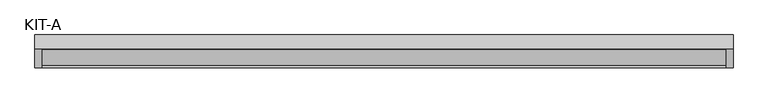
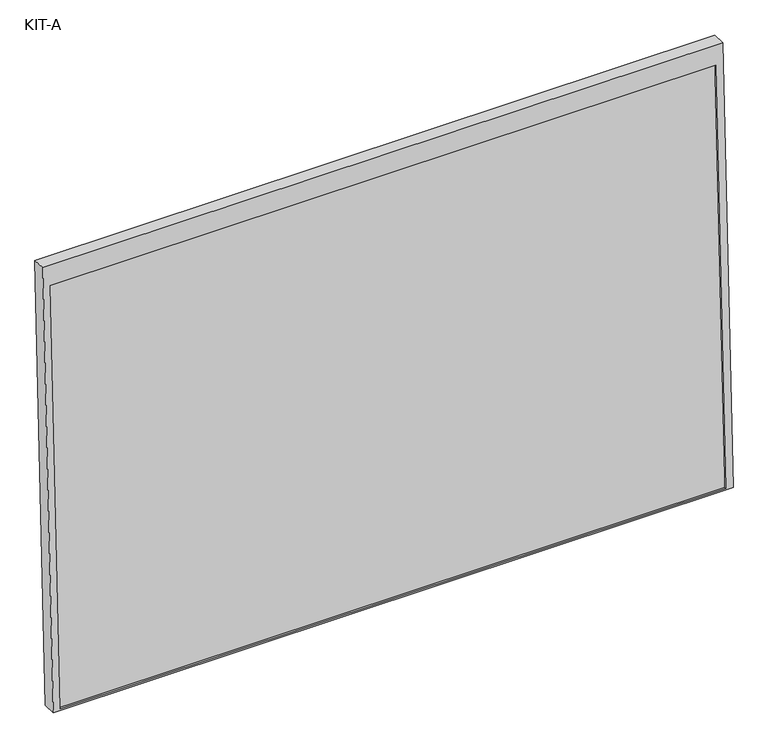
"""IFC4 building model written with IfcOpenShell, lengths in millimetres: plate geometry, KIT-A."""

from ifc_helpers import new_model, si_unit, frame, origin, place, context, project, spatial, polyline, outline, extrude, source, transform, mapped, element, save


def kit_a_c4171f22(model_context):
    return source(origin(), model_context, "Body", "SweptSolid", [
        extrude(outline(polyline([(0.0, 0.0), (0.0, -1766.0), (-1195.0, -1766.0), (-1195.0, 0.0), (0.0, 0.0)]), holes=[polyline([(-55.0, -18.5), (-1191.0441175, -18.5), (-1191.0441175, -1747.5), (-55.0, -1747.5), (-55.0, -18.5)])]), frame((-883.0, 10.1476707, 1140.0133701), z_axis=(0.0, -0.9992101801000246, 0.039736834102334216), x_axis=(0.0, 0.039736834102334216, 0.9992101801000246)), (0.0, 0.0, 1.0), 35.0),
        extrude(outline(polyline([(0.0, -1729.0), (0.0, 0.0), (27.4505713, 0.0), (27.4505713, -1729.0), (0.0, -1729.0)])), frame((-864.5, -67.1569572, -48.8979321), z_axis=(0.0, 0.03973683410233642, 0.9992101801000245), x_axis=(0.0, 0.9992101801000245, -0.03973683410233642)), (0.0, 0.0, 1.0), 1136.0441176),
    ])


if __name__ == "__main__":
    model = new_model("IFC4")
    model_context = context("Model", 3, world=origin())
    ifc_project = project(units=[si_unit("LENGTHUNIT", "METRE", prefix="MILLI")], contexts=[model_context])
    site = spatial("IfcSite", under=ifc_project)
    building = spatial("IfcBuilding", under=site)
    placement = place(None, origin())
    kit_a_shape = kit_a_c4171f22(model_context)
    element("IfcPlate", 1, ObjectType="KIT-A", at=placement, inside=building, context=model_context, shape_type="MappedRepresentation", body=[
        mapped(kit_a_shape, transform((0.0, 0.0, 0.0), x_axis=(1.0, 0.0, 0.0), y_axis=(0.0, 1.0, 0.0), z_axis=(0.0, 0.0, 1.0))),
    ])
    save(model, "model.ifc")
